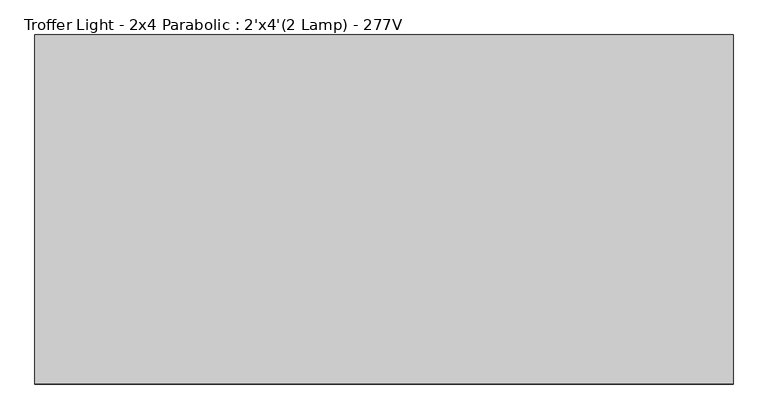
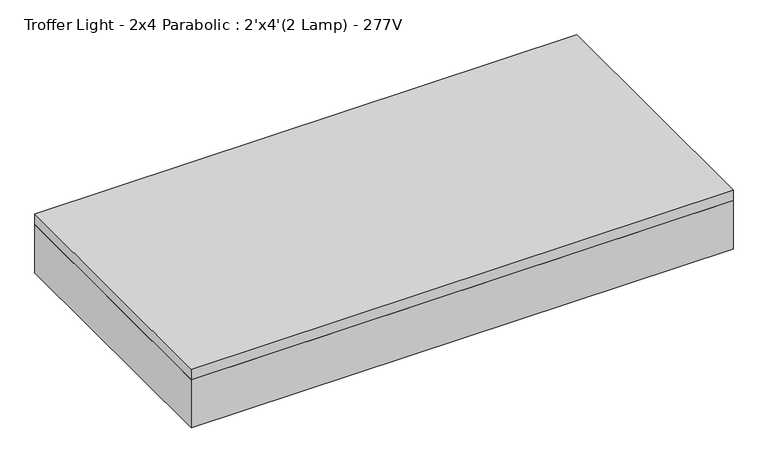
"""IFC4 building model written with IfcOpenShell, lengths in millimetres: light fixture geometry, Troffer Light - 2x4 Parabolic : 2'x4'(2 Lamp) - 277V."""

import ifcopenshell
import ifcopenshell.guid

model = None  # the IFC model being written
_history = None  # IfcOwnerHistory: only IFC2X3 demands one
_inside = {}  # id of a spatial element -> (the spatial element, [elements in it])
_under = {}  # id of a project, library or spatial element -> (it, [spatial elements below it])
_declared = {}  # id of a project -> (the project, [libraries it declares])
_typed = {}  # id of a type object -> (the type object, [elements of that type])
_made_of = {}  # id of a material, layer set ... -> (it, [elements and type objects made of it])


def new_model(schema):
    """Start an empty IFC model of exactly this schema.

    Asked for "IFC4X3", IfcOpenShell would pick the latest addendum, in which some entities
    have other attributes; the version numbers below select the first issue.
    IFC2X3 requires an IfcOwnerHistory on every rooted entity: one is made here for all.
    """
    global model, _history
    if schema == "IFC4X3":
        model = ifcopenshell.file(schema_version=(4, 3, 0, 0))
    else:
        model = ifcopenshell.file(schema=schema)
    _inside.clear()
    _under.clear()
    _declared.clear()
    _typed.clear()
    _made_of.clear()
    _history = None
    if model.schema == "IFC2X3":
        org = make("IfcOrganization", Name="unknown")
        user = make(
            "IfcPersonAndOrganization",
            ThePerson=make("IfcPerson", FamilyName="unknown"),
            TheOrganization=org,
        )
        app = make(
            "IfcApplication",
            ApplicationDeveloper=org,
            Version="unknown",
            ApplicationFullName="unknown",
            ApplicationIdentifier="unknown",
        )
        _history = make(
            "IfcOwnerHistory",
            OwningUser=user,
            OwningApplication=app,
            ChangeAction="ADDED",
            CreationDate=0,
        )
    return model


def make(cls, **values):
    """One entity of the class cls with the attributes given. An attribute that is None is left unset."""
    return model.create_entity(
        cls, **{name: value for name, value in values.items() if value is not None}
    )


def rooted(cls, **values):
    """An entity with a GlobalId (a new one), such as an element, a storey or a relation."""
    return make(cls, GlobalId=ifcopenshell.guid.new(), OwnerHistory=_history, **values)


def si_unit(unit_type, name, prefix=None):
    """IfcSIUnit, for example si_unit("LENGTHUNIT", "METRE", prefix="MILLI")."""
    return make("IfcSIUnit", UnitType=unit_type, Prefix=prefix, Name=name)


def assignment(units):
    """IfcUnitAssignment: the units of a project."""
    return None if units is None else make("IfcUnitAssignment", Units=units)


def point(xyz):
    """IfcCartesianPoint."""
    return None if xyz is None else make("IfcCartesianPoint", Coordinates=xyz)


def direction(xyz):
    """IfcDirection."""
    return None if xyz is None else make("IfcDirection", DirectionRatios=xyz)


def frame(location, z_axis=None, x_axis=None):
    """IfcAxis2Placement3D, a coordinate frame: its origin and axes. An axis left out is left unset."""
    return make(
        "IfcAxis2Placement3D",
        Location=point(location),
        Axis=direction(z_axis),
        RefDirection=direction(x_axis),
    )


def origin():
    """The frame at (0, 0, 0) with its axes left unset."""
    return frame((0.0, 0.0, 0.0))


def place(relative_to, where):
    """IfcLocalPlacement: puts the frame where relative to a parent placement (None: the world)."""
    return make(
        "IfcLocalPlacement", PlacementRelTo=relative_to, RelativePlacement=where
    )


def context(
    kind, dimensions, precision=None, world=None, true_north=None, identifier=None
):
    """IfcGeometricRepresentationContext, for example the 3D "Model" context."""
    return make(
        "IfcGeometricRepresentationContext",
        ContextIdentifier=identifier,
        ContextType=kind,
        CoordinateSpaceDimension=dimensions,
        Precision=precision,
        WorldCoordinateSystem=world,
        TrueNorth=true_north,
    )


def project(units=None, contexts=None):
    """IfcProject with its units and contexts."""
    return rooted(
        "IfcProject",
        Name="project",
        RepresentationContexts=contexts,
        UnitsInContext=assignment(units),
    )


def spatial(cls, under=None, at=None, **own):
    """A site, building, storey or space (cls), placed at a placement, below another one or the project."""
    s = rooted(cls, ObjectPlacement=at, **own)
    if under is not None:
        _under.setdefault(under.id(), (under, []))[1].append(s)
    return s


def polyline(points):
    """IfcPolyline through the points."""
    return make("IfcPolyline", Points=[point(p) for p in points])


def outline(outer, holes=None, kind="AREA"):
    """IfcArbitraryClosedProfileDef: a profile drawn as a closed curve; with holes, ...WithVoids."""
    if holes is None:
        return make("IfcArbitraryClosedProfileDef", ProfileType=kind, OuterCurve=outer)
    return make(
        "IfcArbitraryProfileDefWithVoids",
        ProfileType=kind,
        OuterCurve=outer,
        InnerCurves=holes,
    )


def extrude(swept, where, along, depth):
    """IfcExtrudedAreaSolid: the profile swept, set in the frame where, extruded along a direction by depth."""
    return make(
        "IfcExtrudedAreaSolid",
        SweptArea=swept,
        Position=where,
        ExtrudedDirection=direction(along),
        Depth=depth,
    )


def shape(context_of_items, identifier, shape_type, items):
    """IfcShapeRepresentation: the items that make up one representation, for example the "Body"."""
    return make(
        "IfcShapeRepresentation",
        ContextOfItems=context_of_items,
        RepresentationIdentifier=identifier,
        RepresentationType=shape_type,
        Items=items,
    )


def source(mapping_origin, context_of_items, identifier, shape_type, items):
    """IfcRepresentationMap: a shape defined once, which mapped items show again and again."""
    return make(
        "IfcRepresentationMap",
        MappingOrigin=mapping_origin,
        MappedRepresentation=shape(context_of_items, identifier, shape_type, items),
    )


def transform(
    local_origin,
    x_axis=None,
    y_axis=None,
    z_axis=None,
    scale=None,
    scale2=None,
    scale3=None,
    uniform=True,
):
    """IfcCartesianTransformationOperator3D, or its non-uniform kind. x_axis, y_axis, z_axis: its Axis1, 2, 3."""
    if uniform:
        return make(
            "IfcCartesianTransformationOperator3D",
            Axis1=direction(x_axis),
            Axis2=direction(y_axis),
            LocalOrigin=point(local_origin),
            Scale=scale,
            Axis3=direction(z_axis),
        )
    return make(
        "IfcCartesianTransformationOperator3DnonUniform",
        Axis1=direction(x_axis),
        Axis2=direction(y_axis),
        LocalOrigin=point(local_origin),
        Scale=scale,
        Axis3=direction(z_axis),
        Scale2=scale2,
        Scale3=scale3,
    )


def mapped(mapping_source, mapping_target):
    """IfcMappedItem: shows the shape of a source again, moved by a transform."""
    return make(
        "IfcMappedItem", MappingSource=mapping_source, MappingTarget=mapping_target
    )


def made_of(thing, what):
    """Note that an element or type object is made of a material, layer set ...; save() writes the relation."""
    if what is not None:
        _made_of.setdefault(what.id(), (what, []))[1].append(thing)
    return thing


def element(
    cls,
    number,
    at=None,
    inside=None,
    cuts=None,
    type_object=None,
    material=None,
    context=None,
    identifier="Body",
    shape_type=None,
    held_by="IfcProductDefinitionShape",
    body=None,
    shapes=None,
    **own,
):
    """One element of the class cls, such as IfcWall. Its Tag is "e" and its number.

    at: its placement. inside: the storey or other place that contains it. cuts: it is an
    opening in that element (IfcRelVoidsElement). A single representation is given by context,
    identifier, shape_type and body (its items); several are given by shapes. held_by: the class
    of the entity that holds the representations. save() writes the other relations.
    """
    e = rooted(cls, Tag="e%d" % number, ObjectPlacement=at, **own)
    if body is not None:
        shapes = [shape(context, identifier, shape_type, body)]
    if shapes is not None:
        e.Representation = make(held_by, Representations=shapes)
    if inside is not None:
        _inside.setdefault(inside.id(), (inside, []))[1].append(e)
    if cuts is not None:
        rooted(
            "IfcRelVoidsElement", RelatingBuildingElement=cuts, RelatedOpeningElement=e
        )
    if type_object is not None:
        _typed.setdefault(type_object.id(), (type_object, []))[1].append(e)
    return made_of(e, material)


def aggregate(whole, parts):
    """IfcRelAggregates: a whole, such as a stair, and the parts it consists of."""
    return rooted("IfcRelAggregates", RelatingObject=whole, RelatedObjects=parts)


def save(model, path):
    """Write the relations noted so far, then the file.

    IfcRelAggregates (storeys below a building ...), IfcRelContainedInSpatialStructure (elements
    in a storey), IfcRelDefinesByType, IfcRelAssociatesMaterial and IfcRelDeclares: one each for
    every whole, place, type object, material and project.
    """
    for whole, parts in _under.values():
        aggregate(whole, parts)
    for where, things in _inside.values():
        rooted(
            "IfcRelContainedInSpatialStructure",
            RelatedElements=things,
            RelatingStructure=where,
        )
    for kind, things in _typed.values():
        rooted("IfcRelDefinesByType", RelatedObjects=things, RelatingType=kind)
    for what, things in _made_of.values():
        rooted("IfcRelAssociatesMaterial", RelatedObjects=things, RelatingMaterial=what)
    for by, libraries in _declared.values():
        rooted("IfcRelDeclares", RelatingContext=by, RelatedDefinitions=libraries)
    model.write(path)


def troffer_light_2x4_parabolic_2_x4_2_lamp_277v_ca384779(model_context):
    return source(origin(), model_context, "Body", "SweptSolid", [
        extrude(outline(polyline([(565.4964984, 219.9340679), (565.4964984, -338.8659321), (-602.9035016, -338.8659321), (-602.9035016, 219.9340679), (565.4964984, 219.9340679)]), holes=[polyline([(-409.2285016, 35.7840679), (-409.2285016, 213.5840679), (-596.5535016, 213.5840679), (-596.5535016, 35.7840679), (-409.2285016, 35.7840679)]), polyline([(-409.2285016, -148.3659321), (-409.2285016, 29.4340679), (-596.5535016, 29.4340679), (-596.5535016, -148.3659321), (-409.2285016, -148.3659321)]), polyline([(-409.2285016, -154.7159321), (-596.5535016, -154.7159321), (-596.5535016, -332.5159321), (-409.2285016, -332.5159321), (-409.2285016, -154.7159321)]), polyline([(-215.5535016, 35.7840679), (-215.5535016, 213.5840679), (-402.8785016, 213.5840679), (-402.8785016, 35.7840679), (-215.5535016, 35.7840679)]), polyline([(-215.5535016, -148.3659321), (-215.5535016, 29.4340679), (-402.8785016, 29.4340679), (-402.8785016, -148.3659321), (-215.5535016, -148.3659321)]), polyline([(-215.5535016, -154.7159321), (-402.8785016, -154.7159321), (-402.8785016, -332.5159321), (-215.5535016, -332.5159321), (-215.5535016, -154.7159321)]), polyline([(-21.8785016, 35.7840679), (-21.8785016, 213.5840679), (-209.2035016, 213.5840679), (-209.2035016, 35.7840679), (-21.8785016, 35.7840679)]), polyline([(-21.8785016, -148.3659321), (-21.8785016, 29.4340679), (-209.2035016, 29.4340679), (-209.2035016, -148.3659321), (-21.8785016, -148.3659321)]), polyline([(-21.8785016, -154.7159321), (-209.2035016, -154.7159321), (-209.2035016, -332.5159321), (-21.8785016, -332.5159321), (-21.8785016, -154.7159321)]), polyline([(171.7964984, 35.7840679), (171.7964984, 213.5840679), (-15.5285016, 213.5840679), (-15.5285016, 35.7840679), (171.7964984, 35.7840679)]), polyline([(171.7964984, -148.3659321), (171.7964984, 29.4340679), (-15.5285016, 29.4340679), (-15.5285016, -148.3659321), (171.7964984, -148.3659321)]), polyline([(171.7964984, -154.7159321), (-15.5285016, -154.7159321), (-15.5285016, -332.5159321), (171.7964984, -332.5159321), (171.7964984, -154.7159321)]), polyline([(365.4714984, 35.7840679), (365.4714984, 213.5840679), (178.1464984, 213.5840679), (178.1464984, 35.7840679), (365.4714984, 35.7840679)]), polyline([(365.4714984, -148.3659321), (365.4714984, 29.4340679), (178.1464984, 29.4340679), (178.1464984, -148.3659321), (365.4714984, -148.3659321)]), polyline([(365.4714984, -154.7159321), (178.1464984, -154.7159321), (178.1464984, -332.5159321), (365.4714984, -332.5159321), (365.4714984, -154.7159321)]), polyline([(559.1464984, 35.7840679), (559.1464984, 213.5840679), (371.8214984, 213.5840679), (371.8214984, 35.7840679), (559.1464984, 35.7840679)]), polyline([(559.1464984, -148.3659321), (559.1464984, 29.4340679), (371.8214984, 29.4340679), (371.8214984, -148.3659321), (559.1464984, -148.3659321)]), polyline([(559.1464984, -154.7159321), (371.8214984, -154.7159321), (371.8214984, -332.5159321), (559.1464984, -332.5159321), (559.1464984, -154.7159321)])]), frame((0.0, 0.0, 2438.4), z_axis=(0.0, 0.0, 1.0), x_axis=(1.0, 0.0, 0.0)), (0.0, 0.0, 1.0), 3.175),
        extrude(outline(polyline([(565.4964984, 219.9340679), (565.4964984, -338.8659321), (-602.9035016, -338.8659321), (-602.9035016, 219.9340679), (565.4964984, 219.9340679)])), frame((0.0, 0.0, 2514.6), z_axis=(0.0, 0.0, 1.0), x_axis=(1.0, 0.0, 0.0)), (0.0, 0.0, 1.0), 6.35),
        extrude(outline(polyline([(565.4964984, 219.9340679), (565.4964984, -338.8659321), (-602.9035016, -338.8659321), (-602.9035016, 219.9340679), (565.4964984, 219.9340679)]), holes=[polyline([(-409.2285016, 35.7840679), (-409.2285016, 213.5840679), (-596.5535016, 213.5840679), (-596.5535016, 35.7840679), (-409.2285016, 35.7840679)]), polyline([(-409.2285016, -148.3659321), (-409.2285016, 29.4340679), (-596.5535016, 29.4340679), (-596.5535016, -148.3659321), (-409.2285016, -148.3659321)]), polyline([(-409.2285016, -154.7159321), (-596.5535016, -154.7159321), (-596.5535016, -332.5159321), (-409.2285016, -332.5159321), (-409.2285016, -154.7159321)]), polyline([(-215.5535016, 35.7840679), (-215.5535016, 213.5840679), (-402.8785016, 213.5840679), (-402.8785016, 35.7840679), (-215.5535016, 35.7840679)]), polyline([(-215.5535016, -148.3659321), (-215.5535016, 29.4340679), (-402.8785016, 29.4340679), (-402.8785016, -148.3659321), (-215.5535016, -148.3659321)]), polyline([(-215.5535016, -154.7159321), (-402.8785016, -154.7159321), (-402.8785016, -332.5159321), (-215.5535016, -332.5159321), (-215.5535016, -154.7159321)]), polyline([(-21.8785016, 35.7840679), (-21.8785016, 213.5840679), (-209.2035016, 213.5840679), (-209.2035016, 35.7840679), (-21.8785016, 35.7840679)]), polyline([(-21.8785016, -148.3659321), (-21.8785016, 29.4340679), (-209.2035016, 29.4340679), (-209.2035016, -148.3659321), (-21.8785016, -148.3659321)]), polyline([(-21.8785016, -154.7159321), (-209.2035016, -154.7159321), (-209.2035016, -332.5159321), (-21.8785016, -332.5159321), (-21.8785016, -154.7159321)]), polyline([(171.7964984, 35.7840679), (171.7964984, 213.5840679), (-15.5285016, 213.5840679), (-15.5285016, 35.7840679), (171.7964984, 35.7840679)]), polyline([(171.7964984, -148.3659321), (171.7964984, 29.4340679), (-15.5285016, 29.4340679), (-15.5285016, -148.3659321), (171.7964984, -148.3659321)]), polyline([(171.7964984, -154.7159321), (-15.5285016, -154.7159321), (-15.5285016, -332.5159321), (171.7964984, -332.5159321), (171.7964984, -154.7159321)]), polyline([(365.4714984, 35.7840679), (365.4714984, 213.5840679), (178.1464984, 213.5840679), (178.1464984, 35.7840679), (365.4714984, 35.7840679)]), polyline([(365.4714984, -148.3659321), (365.4714984, 29.4340679), (178.1464984, 29.4340679), (178.1464984, -148.3659321), (365.4714984, -148.3659321)]), polyline([(365.4714984, -154.7159321), (178.1464984, -154.7159321), (178.1464984, -332.5159321), (365.4714984, -332.5159321), (365.4714984, -154.7159321)]), polyline([(559.1464984, 35.7840679), (559.1464984, 213.5840679), (371.8214984, 213.5840679), (371.8214984, 35.7840679), (559.1464984, 35.7840679)]), polyline([(559.1464984, -148.3659321), (559.1464984, 29.4340679), (371.8214984, 29.4340679), (371.8214984, -148.3659321), (559.1464984, -148.3659321)]), polyline([(559.1464984, -154.7159321), (371.8214984, -154.7159321), (371.8214984, -332.5159321), (559.1464984, -332.5159321), (559.1464984, -154.7159321)])]), frame((0.0, 0.0, 2441.575), z_axis=(0.0, 0.0, 1.0), x_axis=(1.0, 0.0, 0.0)), (0.0, 0.0, 1.0), 47.625),
        extrude(outline(polyline([(590.8964984, 245.3340679), (590.8964984, -364.2659321), (-628.3035016, -364.2659321), (-628.3035016, 245.3340679), (590.8964984, 245.3340679)]), holes=[polyline([(565.4964984, 219.9340679), (-602.9035016, 219.9340679), (-602.9035016, -338.8659321), (565.4964984, -338.8659321), (565.4964984, 219.9340679)])]), frame((0.0, 0.0, 2438.4), z_axis=(0.0, 0.0, 1.0), x_axis=(1.0, 0.0, 0.0)), (0.0, 0.0, 1.0), 114.3),
        extrude(outline(polyline([(590.8964984, 245.3340679), (590.8964984, -364.2659321), (-628.3035016, -364.2659321), (-628.3035016, 245.3340679), (590.8964984, 245.3340679)])), frame((0.0, 0.0, 2552.7), z_axis=(0.0, 0.0, 1.0), x_axis=(1.0, 0.0, 0.0)), (0.0, 0.0, 1.0), 25.4),
    ])


if __name__ == "__main__":
    model = new_model("IFC4")
    model_context = context("Model", 3, world=origin())
    ifc_project = project(units=[si_unit("LENGTHUNIT", "METRE", prefix="MILLI")], contexts=[model_context])
    site = spatial("IfcSite", under=ifc_project)
    building = spatial("IfcBuilding", under=site)
    placement = place(None, origin())
    troffer_light_2x4_parabolic_2_x4_2_lamp_277v_shape = troffer_light_2x4_parabolic_2_x4_2_lamp_277v_ca384779(model_context)
    element("IfcLightFixture", 1, ObjectType="Troffer Light - 2x4 Parabolic : 2'x4'(2 Lamp) - 277V", at=placement, inside=building, context=model_context, shape_type="MappedRepresentation", body=[
        mapped(troffer_light_2x4_parabolic_2_x4_2_lamp_277v_shape, transform((0.0, 0.0, 0.0), x_axis=(1.0, 0.0, 0.0), y_axis=(0.0, 1.0, 0.0), z_axis=(0.0, 0.0, 1.0))),
    ])
    save(model, "model.ifc")
